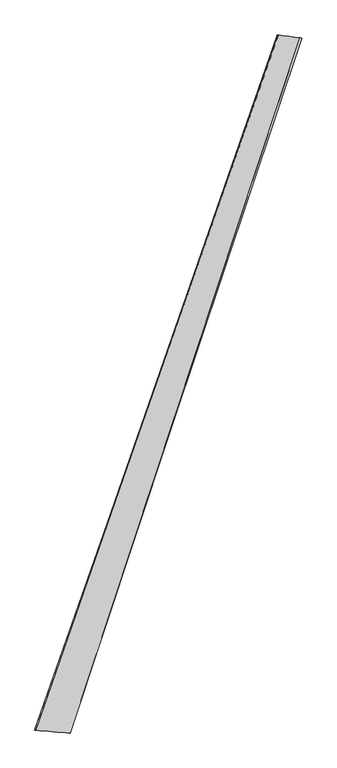
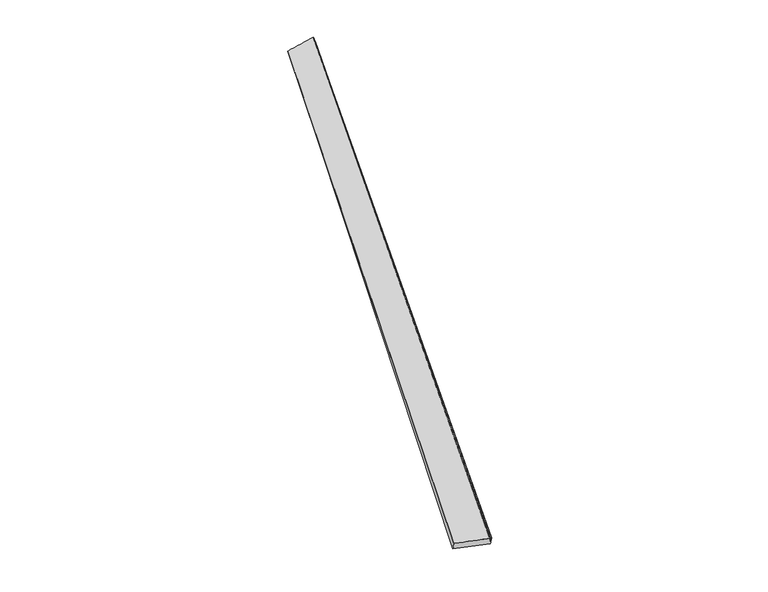
"""IFC4 building model written with IfcOpenShell, lengths in millimetres: proxy geometry."""

from ifc_helpers import new_model, si_unit, origin, place, context, project, spatial, source, transform, mapped, element, save
from ifc_brep_helpers import spline_surface, advanced_brep


def generic_models_45aaee51(model_context):
    return source(origin(), model_context, "Body", "AdvancedBrep", [
        advanced_brep(
        [(-693.2106292, -1756.133594, 14.7215452), (-689.1823143, -1757.2727499, 44.4280261), (673.0328642, 2155.4736477, 6.4259376), (682.2000999, 2151.981512, -21.9248433), (-494.7524532, -1773.5492428, 14.8247919), (801.0454981, 2138.7384464, 50.3065476), (-499.4156907, -1771.708222, -14.7533226), (810.42622, 2135.8603041, 21.9566207)],
        [
            (0, 1),
            (1, 2),
            (2, 3),
            (3, 0),
            (1, 4),
            (4, 5),
            (5, 2),
            (4, 6),
            (6, 7),
            (7, 5),
            (6, 0),
            (3, 7),
        ],
        [
            spline_surface(1, 1, [[(-693.2106292, -1756.133594, 14.7215452), (682.2000999, 2151.981512, -21.9248433)], [(-689.1823143, -1757.2727499, 44.4280261), (673.0328642, 2155.4736477, 6.4259376)]], [2, 2], [2, 2], [0.0, 1.0], [0.0, 1.0]),
            spline_surface(1, 1, [[(-689.1823143, -1757.2727499, 44.4280261), (673.0328642, 2155.4736477, 6.4259376)], [(-494.7524532, -1773.5492428, 14.8247919), (801.0454981, 2138.7384464, 50.3065476)]], [2, 2], [2, 2], [0.0, 1.0], [0.0, 1.0]),
            spline_surface(1, 1, [[(-494.7524532, -1773.5492428, 14.8247919), (801.0454981, 2138.7384464, 50.3065476)], [(-499.4156907, -1771.708222, -14.7533226), (810.42622, 2135.8603041, 21.9566207)]], [2, 2], [2, 2], [0.0, 1.0], [0.0, 1.0]),
            spline_surface(1, 1, [[(-499.4156907, -1771.708222, -14.7533226), (810.42622, 2135.8603041, 21.9566207)], [(-693.2106292, -1756.133594, 14.7215452), (682.2000999, 2151.981512, -21.9248433)]], [2, 2], [2, 2], [0.0, 1.0], [0.0, 1.0]),
            spline_surface(1, 1, [[(673.0328642, 2155.4736477, 6.4259376), (682.2000999, 2151.981512, -21.9248433)], [(801.0454981, 2138.7384464, 50.3065476), (810.42622, 2135.8603041, 21.9566207)]], [2, 2], [2, 2], [0.0, 1.0], [0.0, 1.0]),
            spline_surface(1, 1, [[(-499.4156907, -1771.708222, -14.7533226), (-693.2106292, -1756.133594, 14.7215452)], [(-494.7524532, -1773.5492428, 14.8247919), (-689.1823143, -1757.2727499, 44.4280261)]], [2, 2], [2, 2], [0.0, 1.0], [0.0, 1.0]),
        ],
        [
            (0, [[1, 2, 3, 4]]),
            (1, [[5, 6, 7, -2]]),
            (2, [[8, 9, 10, -6]]),
            (3, [[11, -4, 12, -9]]),
            (4, [[-3, -7, -10, -12]]),
            (5, [[-11, -8, -5, -1]]),
        ],
    ),
    ])


if __name__ == "__main__":
    model = new_model("IFC4")
    model_context = context("Model", 3, world=origin())
    ifc_project = project(units=[si_unit("LENGTHUNIT", "METRE", prefix="MILLI")], contexts=[model_context])
    site = spatial("IfcSite", under=ifc_project)
    building = spatial("IfcBuilding", under=site)
    placement = place(None, origin())
    generic_models_shape = generic_models_45aaee51(model_context)
    element("IfcBuildingElementProxy", 1, Name="Generic Models", at=placement, inside=building, context=model_context, shape_type="MappedRepresentation", body=[
        mapped(generic_models_shape, transform((0.0, 0.0, 0.0), x_axis=(1.0, 0.0, 0.0), y_axis=(0.0, 1.0, 0.0), z_axis=(0.0, 0.0, 1.0))),
    ])
    save(model, "model.ifc")
